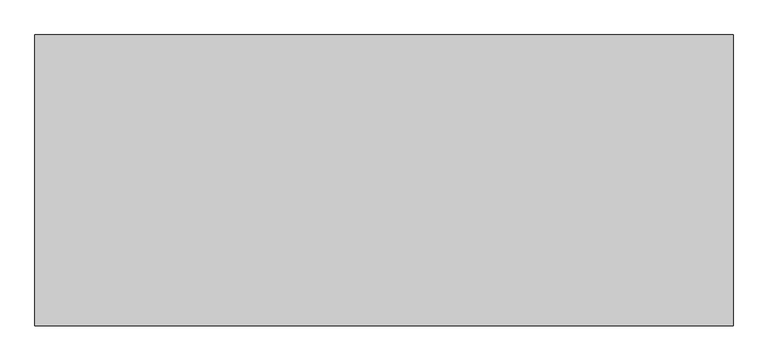
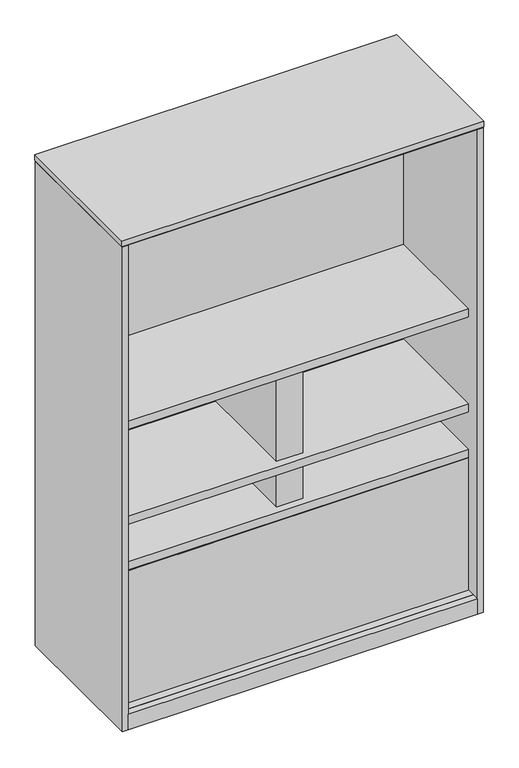
"""IFC4 building model written with IfcOpenShell, lengths in millimetres: furniture geometry."""

from ifc_helpers import new_model, si_unit, point, frame, frame_2d, origin, origin_with_axes, place, context, project, spatial, polyline, circle_curve, trimmed, segment, composite_curve, outline, extrude, source, transform, mapped, element, save


def furniture_96791cc1(model_context):
    return source(origin(), model_context, "Body", "SweptSolid", [
        extrude(outline(polyline([(1191.25238, -76.6318), (21.59762, -76.6318), (21.59762, -51.2318), (1191.25238, -51.2318), (1191.25238, -76.6318)])), frame((0.0, 0.0, 58.7502), z_axis=(0.0, 0.0, 1.0), x_axis=(1.0, 0.0, 0.0)), (0.0, 0.0, 1.0), 467.89594),
        extrude(outline(polyline([(650.875, -428.1932), (561.975, -428.1932), (561.975, -76.6318), (650.875, -76.6318), (650.875, -428.1932)])), frame((0.0, 0.0, 719.20354), z_axis=(0.0, 0.0, 1.0), x_axis=(1.0, 0.0, 0.0)), (0.0, 0.0, 1.0), 307.32222),
        extrude(outline(polyline([(1191.25238, -453.5932), (21.59762, -453.5932), (21.59762, -76.6318), (1191.25238, -76.6318), (1191.25238, -453.5932)])), frame((0.0, 0.0, 1026.52576), z_axis=(0.0, 0.0, 1.0), x_axis=(1.0, 0.0, 0.0)), (0.0, 0.0, 1.0), 28.43784),
        extrude(outline(polyline([(1191.25238, -453.5932), (21.59762, -453.5932), (21.59762, -428.1932), (1191.25238, -428.1932), (1191.25238, -453.5932)])), frame((0.0, 0.0, 58.7502), z_axis=(0.0, 0.0, 1.0), x_axis=(1.0, 0.0, 0.0)), (0.0, 0.0, 1.0), 467.89594),
        extrude(outline(composite_curve([segment(polyline([(703.024704, 561.975), (557.60112, 561.975), (557.60112, 650.875), (703.024704, 650.875), (703.024704, 625.475)]), True, "CONTINUOUS"), segment(trimmed(circle_curve(frame_2d((703.024704, 606.425)), 19.05), [point((703.024704, 625.475))], [point((703.024704, 587.375))], True, "CARTESIAN"), True, "CONTINUOUS"), segment(polyline([(703.024704, 587.375), (703.024704, 561.975)]), True, "CONTINUOUS")], self_intersect=False)), frame((0.0, -428.1932, 0.0), z_axis=(0.0, 1.0, 0.0), x_axis=(0.0, 0.0, 1.0)), (0.0, 0.0, 1.0), 351.5614),
        extrude(outline(polyline([(1191.25238, -453.5932), (21.59762, -453.5932), (21.59762, -51.2318), (1191.25238, -51.2318), (1191.25238, -453.5932)])), frame((0.0, 0.0, 529.16328), z_axis=(0.0, 0.0, 1.0), x_axis=(1.0, 0.0, 0.0)), (0.0, 0.0, 1.0), 28.43784),
        extrude(outline(polyline([(1191.25238, -453.5932), (21.59762, -453.5932), (21.59762, -51.2318), (1191.25238, -51.2318), (1191.25238, -453.5932)])), frame((0.0, 0.0, 690.7657), z_axis=(0.0, 0.0, 1.0), x_axis=(1.0, 0.0, 0.0)), (0.0, 0.0, 1.0), 28.43784),
        extrude(outline(polyline([(1191.25238, -76.6318), (21.59762, -76.6318), (21.59762, -51.2318), (1191.25238, -51.2318), (1191.25238, -76.6318)])), frame((0.0, 0.0, 719.20354), z_axis=(0.0, 0.0, 1.0), x_axis=(1.0, 0.0, 0.0)), (0.0, 0.0, 1.0), 805.71086),
        extrude(outline(polyline([(1191.25238, -453.5932), (21.59762, -453.5932), (21.59762, -51.2318), (1191.25238, -51.2318), (1191.25238, -453.5932)])), frame((0.0, 0.0, 1693.2148), z_axis=(0.0, 0.0, 1.0), x_axis=(1.0, 0.0, 0.0)), (0.0, 0.0, 1.0), 26.924),
        extrude(outline(polyline([(1210.564, -502.92), (3.8735, -502.92), (3.8735, -0.7874), (1210.564, -0.7874), (1210.564, -502.92)])), frame((0.0, 0.0, 1720.1388), z_axis=(0.0, 0.0, 1.0), x_axis=(1.0, 0.0, 0.0)), (0.0, 0.0, 1.0), 1.905),
        extrude(outline(polyline([(1191.25238, -481.7618), (1191.25238, -504.825), (21.59762, -504.825), (21.59762, -481.7618), (1191.25238, -481.7618)])), frame((0.0, 0.0, 3.5814), z_axis=(0.0, 0.0, 1.0), x_axis=(1.0, 0.0, 0.0)), (0.0, 0.0, 1.0), 55.1688),
        extrude(outline(polyline([(46.1772, -71.0692), (61.8363, -80.1099856), (61.8363, -98.1915568), (46.1772, -107.2323424), (30.5181, -98.1915568), (30.5181, -80.1099856), (46.1772, -71.0692)])), origin_with_axes(), (0.0, 0.0, 1.0), 8.4328),
        extrude(outline(polyline([(46.1772, -478.6376), (30.5181, -469.5968144), (30.5181, -451.5152432), (46.1772, -442.4744576), (61.8363, -451.5152432), (61.8363, -469.5968144), (46.1772, -478.6376)])), origin_with_axes(), (0.0, 0.0, 1.0), 8.4328),
        extrude(outline(polyline([(1166.6728, -71.0692), (1182.3319, -80.1099856), (1182.3319, -98.1915568), (1166.6728, -107.2323424), (1151.0137, -98.1915568), (1151.0137, -80.1099856), (1166.6728, -71.0692)])), origin_with_axes(), (0.0, 0.0, 1.0), 8.4328),
        extrude(outline(polyline([(1166.6728, -478.6376), (1151.0137, -469.5968144), (1151.0137, -451.5152432), (1166.6728, -442.4744576), (1182.3319, -451.5152432), (1182.3319, -469.5968144), (1166.6728, -478.6376)])), origin_with_axes(), (0.0, 0.0, 1.0), 8.4328),
        extrude(outline(polyline([(1212.85, -504.825), (0.0, -504.825), (0.0, 0.0), (1212.85, 0.0), (1212.85, -504.825)])), frame((0.0, 0.0, 1723.6948), z_axis=(0.0, 0.0, 1.0), x_axis=(1.0, 0.0, 0.0)), (0.0, 0.0, 1.0), 19.304),
        extrude(outline(polyline([(1191.25238, 0.0), (1191.25238, -481.7618), (21.59762, -481.7618), (21.59762, 0.0), (1191.25238, 0.0)])), frame((0.0, 0.0, 3.5814), z_axis=(0.0, 0.0, 1.0), x_axis=(1.0, 0.0, 0.0)), (0.0, 0.0, 1.0), 55.1688),
        extrude(outline(polyline([(21.59762, -504.825), (1.5875, -504.825), (1.5875, 0.0), (21.59762, 0.0), (21.59762, -504.825)])), frame((0.0, 0.0, 3.5814), z_axis=(0.0, 0.0, 1.0), x_axis=(1.0, 0.0, 0.0)), (0.0, 0.0, 1.0), 1716.5574),
        extrude(outline(polyline([(1211.2625, -504.825), (1191.25238, -504.825), (1191.25238, 0.0), (1211.2625, 0.0), (1211.2625, -504.825)])), frame((0.0, 0.0, 3.5814), z_axis=(0.0, 0.0, 1.0), x_axis=(1.0, 0.0, 0.0)), (0.0, 0.0, 1.0), 1716.5574),
    ])


if __name__ == "__main__":
    model = new_model("IFC4")
    model_context = context("Model", 3, world=origin())
    ifc_project = project(units=[si_unit("LENGTHUNIT", "METRE", prefix="MILLI")], contexts=[model_context])
    site = spatial("IfcSite", under=ifc_project)
    building = spatial("IfcBuilding", under=site)
    placement = place(None, origin())
    furniture_shape = furniture_96791cc1(model_context)
    element("IfcFurniture", 1, at=placement, inside=building, context=model_context, shape_type="MappedRepresentation", body=[
        mapped(furniture_shape, transform((0.0, 0.0, 0.0), x_axis=(1.0, 0.0, 0.0), y_axis=(0.0, 1.0, 0.0), z_axis=(0.0, 0.0, 1.0))),
    ])
    save(model, "model.ifc")
